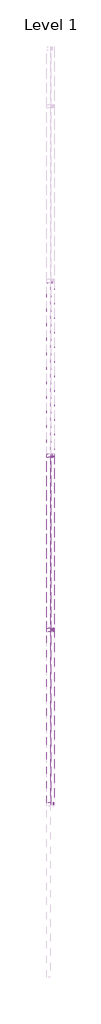
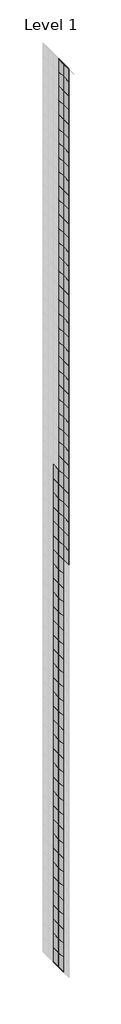
# One storey, part 22 of 29: 134 plates, 4 members.
"""IFC4 building model written with IfcOpenShell, lengths in millimetres."""

import ifcopenshell
import ifcopenshell.guid

model = None  # the IFC model being written
_history = None  # IfcOwnerHistory: only IFC2X3 demands one
_inside = {}  # id of a spatial element -> (the spatial element, [elements in it])
_under = {}  # id of a project, library or spatial element -> (it, [spatial elements below it])
_declared = {}  # id of a project -> (the project, [libraries it declares])
_typed = {}  # id of a type object -> (the type object, [elements of that type])
_made_of = {}  # id of a material, layer set ... -> (it, [elements and type objects made of it])


def new_model(schema):
    """Start an empty IFC model of exactly this schema.

    Asked for "IFC4X3", IfcOpenShell would pick the latest addendum, in which some entities
    have other attributes; the version numbers below select the first issue.
    IFC2X3 requires an IfcOwnerHistory on every rooted entity: one is made here for all.
    """
    global model, _history
    if schema == "IFC4X3":
        model = ifcopenshell.file(schema_version=(4, 3, 0, 0))
    else:
        model = ifcopenshell.file(schema=schema)
    _inside.clear()
    _under.clear()
    _declared.clear()
    _typed.clear()
    _made_of.clear()
    _history = None
    if model.schema == "IFC2X3":
        org = make("IfcOrganization", Name="unknown")
        user = make(
            "IfcPersonAndOrganization",
            ThePerson=make("IfcPerson", FamilyName="unknown"),
            TheOrganization=org,
        )
        app = make(
            "IfcApplication",
            ApplicationDeveloper=org,
            Version="unknown",
            ApplicationFullName="unknown",
            ApplicationIdentifier="unknown",
        )
        _history = make(
            "IfcOwnerHistory",
            OwningUser=user,
            OwningApplication=app,
            ChangeAction="ADDED",
            CreationDate=0,
        )
    return model


def make(cls, **values):
    """One entity of the class cls with the attributes given. An attribute that is None is left unset."""
    return model.create_entity(
        cls, **{name: value for name, value in values.items() if value is not None}
    )


def rooted(cls, **values):
    """An entity with a GlobalId (a new one), such as an element, a storey or a relation."""
    return make(cls, GlobalId=ifcopenshell.guid.new(), OwnerHistory=_history, **values)


def si_unit(unit_type, name, prefix=None):
    """IfcSIUnit, for example si_unit("LENGTHUNIT", "METRE", prefix="MILLI")."""
    return make("IfcSIUnit", UnitType=unit_type, Prefix=prefix, Name=name)


def assignment(units):
    """IfcUnitAssignment: the units of a project."""
    return None if units is None else make("IfcUnitAssignment", Units=units)


def point(xyz):
    """IfcCartesianPoint."""
    return None if xyz is None else make("IfcCartesianPoint", Coordinates=xyz)


def direction(xyz):
    """IfcDirection."""
    return None if xyz is None else make("IfcDirection", DirectionRatios=xyz)


def frame(location, z_axis=None, x_axis=None):
    """IfcAxis2Placement3D, a coordinate frame: its origin and axes. An axis left out is left unset."""
    return make(
        "IfcAxis2Placement3D",
        Location=point(location),
        Axis=direction(z_axis),
        RefDirection=direction(x_axis),
    )


def origin():
    """The frame at (0, 0, 0) with its axes left unset."""
    return frame((0.0, 0.0, 0.0))


def origin_with_axes():
    """The frame at (0, 0, 0) with the z axis (0, 0, 1) and the x axis (1, 0, 0) written out."""
    return frame((0.0, 0.0, 0.0), z_axis=(0.0, 0.0, 1.0), x_axis=(1.0, 0.0, 0.0))


def place(relative_to, where):
    """IfcLocalPlacement: puts the frame where relative to a parent placement (None: the world)."""
    return make(
        "IfcLocalPlacement", PlacementRelTo=relative_to, RelativePlacement=where
    )


def context(
    kind, dimensions, precision=None, world=None, true_north=None, identifier=None
):
    """IfcGeometricRepresentationContext, for example the 3D "Model" context."""
    return make(
        "IfcGeometricRepresentationContext",
        ContextIdentifier=identifier,
        ContextType=kind,
        CoordinateSpaceDimension=dimensions,
        Precision=precision,
        WorldCoordinateSystem=world,
        TrueNorth=true_north,
    )


def project(units=None, contexts=None):
    """IfcProject with its units and contexts."""
    return rooted(
        "IfcProject",
        Name="project",
        RepresentationContexts=contexts,
        UnitsInContext=assignment(units),
    )


def spatial(cls, under=None, at=None, **own):
    """A site, building, storey or space (cls), placed at a placement, below another one or the project."""
    s = rooted(cls, ObjectPlacement=at, **own)
    if under is not None:
        _under.setdefault(under.id(), (under, []))[1].append(s)
    return s


def polyline(points):
    """IfcPolyline through the points."""
    return make("IfcPolyline", Points=[point(p) for p in points])


def outline(outer, holes=None, kind="AREA"):
    """IfcArbitraryClosedProfileDef: a profile drawn as a closed curve; with holes, ...WithVoids."""
    if holes is None:
        return make("IfcArbitraryClosedProfileDef", ProfileType=kind, OuterCurve=outer)
    return make(
        "IfcArbitraryProfileDefWithVoids",
        ProfileType=kind,
        OuterCurve=outer,
        InnerCurves=holes,
    )


def extrude(swept, where, along, depth):
    """IfcExtrudedAreaSolid: the profile swept, set in the frame where, extruded along a direction by depth."""
    return make(
        "IfcExtrudedAreaSolid",
        SweptArea=swept,
        Position=where,
        ExtrudedDirection=direction(along),
        Depth=depth,
    )


def shape(context_of_items, identifier, shape_type, items):
    """IfcShapeRepresentation: the items that make up one representation, for example the "Body"."""
    return make(
        "IfcShapeRepresentation",
        ContextOfItems=context_of_items,
        RepresentationIdentifier=identifier,
        RepresentationType=shape_type,
        Items=items,
    )


def source(mapping_origin, context_of_items, identifier, shape_type, items):
    """IfcRepresentationMap: a shape defined once, which mapped items show again and again."""
    return make(
        "IfcRepresentationMap",
        MappingOrigin=mapping_origin,
        MappedRepresentation=shape(context_of_items, identifier, shape_type, items),
    )


def transform(
    local_origin,
    x_axis=None,
    y_axis=None,
    z_axis=None,
    scale=None,
    scale2=None,
    scale3=None,
    uniform=True,
):
    """IfcCartesianTransformationOperator3D, or its non-uniform kind. x_axis, y_axis, z_axis: its Axis1, 2, 3."""
    if uniform:
        return make(
            "IfcCartesianTransformationOperator3D",
            Axis1=direction(x_axis),
            Axis2=direction(y_axis),
            LocalOrigin=point(local_origin),
            Scale=scale,
            Axis3=direction(z_axis),
        )
    return make(
        "IfcCartesianTransformationOperator3DnonUniform",
        Axis1=direction(x_axis),
        Axis2=direction(y_axis),
        LocalOrigin=point(local_origin),
        Scale=scale,
        Axis3=direction(z_axis),
        Scale2=scale2,
        Scale3=scale3,
    )


def mapped(mapping_source, mapping_target):
    """IfcMappedItem: shows the shape of a source again, moved by a transform."""
    return make(
        "IfcMappedItem", MappingSource=mapping_source, MappingTarget=mapping_target
    )


def made_of(thing, what):
    """Note that an element or type object is made of a material, layer set ...; save() writes the relation."""
    if what is not None:
        _made_of.setdefault(what.id(), (what, []))[1].append(thing)
    return thing


def element(
    cls,
    number,
    at=None,
    inside=None,
    cuts=None,
    type_object=None,
    material=None,
    context=None,
    identifier="Body",
    shape_type=None,
    held_by="IfcProductDefinitionShape",
    body=None,
    shapes=None,
    **own,
):
    """One element of the class cls, such as IfcWall. Its Tag is "e" and its number.

    at: its placement. inside: the storey or other place that contains it. cuts: it is an
    opening in that element (IfcRelVoidsElement). A single representation is given by context,
    identifier, shape_type and body (its items); several are given by shapes. held_by: the class
    of the entity that holds the representations. save() writes the other relations.
    """
    e = rooted(cls, Tag="e%d" % number, ObjectPlacement=at, **own)
    if body is not None:
        shapes = [shape(context, identifier, shape_type, body)]
    if shapes is not None:
        e.Representation = make(held_by, Representations=shapes)
    if inside is not None:
        _inside.setdefault(inside.id(), (inside, []))[1].append(e)
    if cuts is not None:
        rooted(
            "IfcRelVoidsElement", RelatingBuildingElement=cuts, RelatedOpeningElement=e
        )
    if type_object is not None:
        _typed.setdefault(type_object.id(), (type_object, []))[1].append(e)
    return made_of(e, material)


def aggregate(whole, parts):
    """IfcRelAggregates: a whole, such as a stair, and the parts it consists of."""
    return rooted("IfcRelAggregates", RelatingObject=whole, RelatedObjects=parts)


def save(model, path):
    """Write the relations noted so far, then the file.

    IfcRelAggregates (storeys below a building ...), IfcRelContainedInSpatialStructure (elements
    in a storey), IfcRelDefinesByType, IfcRelAssociatesMaterial and IfcRelDeclares: one each for
    every whole, place, type object, material and project.
    """
    for whole, parts in _under.values():
        aggregate(whole, parts)
    for where, things in _inside.values():
        rooted(
            "IfcRelContainedInSpatialStructure",
            RelatedElements=things,
            RelatingStructure=where,
        )
    for kind, things in _typed.values():
        rooted("IfcRelDefinesByType", RelatedObjects=things, RelatingType=kind)
    for what, things in _made_of.values():
        rooted("IfcRelAssociatesMaterial", RelatedObjects=things, RelatingMaterial=what)
    for by, libraries in _declared.values():
        rooted("IfcRelDeclares", RelatingContext=by, RelatedDefinitions=libraries)
    model.write(path)


def rectangular_mullion_30mm_square_0448d2ee(model_context):
    return source(origin(), model_context, "Body", "SweptSolid", [
        extrude(outline(polyline([(0.0, 15.0), (0.0, -15.0), (-30.0, -15.0), (-30.0, 15.0), (0.0, 15.0)])), frame((0.0, 0.0, -1500.0), z_axis=(0.0, 0.0, 1.0), x_axis=(1.0, 0.0, 0.0)), (0.0, 0.0, 1.0), 1500.0),
    ])


def system_panel_glazed_328a1fc4(model_context):
    return source(origin(), model_context, "Body", "SweptSolid", [
        extrude(outline(polyline([(750.0, -49.5), (-750.0, -49.5), (-750.0, -24.5), (750.0, -24.5), (750.0, -49.5)])), origin_with_axes(), (0.0, 0.0, 1.0), 2500.0),
    ])


def system_panel_glazed_00ce7913(model_context):
    return source(origin(), model_context, "Body", "SweptSolid", [
        extrude(outline(polyline([(750.0, -49.5), (-750.0, -49.5), (-750.0, -24.5), (750.0, -24.5), (750.0, -49.5)])), origin_with_axes(), (0.0, 0.0, 1.0), 2300.0),
    ])


model = new_model("IFC4")

# Units and contexts
model_context = context("Model", 3, world=origin())
ifc_project = project(units=[si_unit("LENGTHUNIT", "METRE", prefix="MILLI")], contexts=[model_context])

# Site, building, storey
site = spatial("IfcSite", under=ifc_project)
building = spatial("IfcBuilding", under=site)
storey = spatial("IfcBuildingStorey", under=building, Name="Level 1", Elevation=0.0)

# Members
placement = place(None, origin())
rectangular_mullion_30mm_square_shape = rectangular_mullion_30mm_square_0448d2ee(model_context)
element("IfcMember", 1, ObjectType="Rectangular Mullion : 30mm Square", at=placement, inside=storey, context=model_context, shape_type="MappedRepresentation", body=[
    mapped(rectangular_mullion_30mm_square_shape, transform((27779.9951476, 2053.1129705, 300200.0), x_axis=(0.0, 0.0, 1.0), y_axis=(1.0, 0.0, 0.0), z_axis=(0.0, 1.0, 0.0))),
])
element("IfcMember", 2, ObjectType="Rectangular Mullion : 30mm Square", at=placement, inside=storey, context=model_context, shape_type="MappedRepresentation", body=[
    mapped(rectangular_mullion_30mm_square_shape, transform((27779.9951476, 3553.1129705, 300200.0), x_axis=(0.0, 0.0, 1.0), y_axis=(1.0, 0.0, 0.0), z_axis=(0.0, 1.0, 0.0))),
])
element("IfcMember", 3, ObjectType="Rectangular Mullion : 30mm Square", at=placement, inside=storey, context=model_context, shape_type="MappedRepresentation", body=[
    mapped(rectangular_mullion_30mm_square_shape, transform((27779.9951476, 2053.1129705, 140400.0), x_axis=(0.0, 0.0, -1.0), y_axis=(1.0, 0.0, 0.0), z_axis=(0.0, -1.0, 0.0))),
])
element("IfcMember", 4, ObjectType="Rectangular Mullion : 30mm Square", at=placement, inside=storey, context=model_context, shape_type="MappedRepresentation", body=[
    mapped(rectangular_mullion_30mm_square_shape, transform((27779.9951476, 3553.1129705, 140400.0), x_axis=(0.0, 0.0, -1.0), y_axis=(1.0, 0.0, 0.0), z_axis=(0.0, -1.0, 0.0))),
])

# Plates
system_panel_glazed_shape = system_panel_glazed_328a1fc4(model_context)
element("IfcPlate", 5, ObjectType="System Panel : Glazed", at=placement, inside=storey, context=model_context, shape_type="MappedRepresentation", body=[
    mapped(system_panel_glazed_shape, transform((27779.9951476, 2803.1129705, 140400.0), x_axis=(0.0, 1.0, 0.0), y_axis=(-1.0, 0.0, 0.0), z_axis=(0.0, 0.0, 1.0))),
])
element("IfcPlate", 6, ObjectType="System Panel : Glazed", at=placement, inside=storey, context=model_context, shape_type="MappedRepresentation", body=[
    mapped(system_panel_glazed_shape, transform((27779.9951476, 4303.1129705, 140400.0), x_axis=(0.0, 1.0, 0.0), y_axis=(-1.0, 0.0, 0.0), z_axis=(0.0, 0.0, 1.0))),
])
element("IfcPlate", 7, ObjectType="System Panel : Glazed", at=placement, inside=storey, context=model_context, shape_type="MappedRepresentation", body=[
    mapped(system_panel_glazed_shape, transform((27779.9951476, 2803.1129705, 142900.0), x_axis=(0.0, 1.0, 0.0), y_axis=(-1.0, 0.0, 0.0), z_axis=(0.0, 0.0, 1.0))),
])
element("IfcPlate", 8, ObjectType="System Panel : Glazed", at=placement, inside=storey, context=model_context, shape_type="MappedRepresentation", body=[
    mapped(system_panel_glazed_shape, transform((27779.9951476, 4303.1129705, 142900.0), x_axis=(0.0, 1.0, 0.0), y_axis=(-1.0, 0.0, 0.0), z_axis=(0.0, 0.0, 1.0))),
])
element("IfcPlate", 9, ObjectType="System Panel : Glazed", at=placement, inside=storey, context=model_context, shape_type="MappedRepresentation", body=[
    mapped(system_panel_glazed_shape, transform((27779.9951476, 2803.1129705, 145400.0), x_axis=(0.0, 1.0, 0.0), y_axis=(-1.0, 0.0, 0.0), z_axis=(0.0, 0.0, 1.0))),
])
element("IfcPlate", 10, ObjectType="System Panel : Glazed", at=placement, inside=storey, context=model_context, shape_type="MappedRepresentation", body=[
    mapped(system_panel_glazed_shape, transform((27779.9951476, 4303.1129705, 145400.0), x_axis=(0.0, 1.0, 0.0), y_axis=(-1.0, 0.0, 0.0), z_axis=(0.0, 0.0, 1.0))),
])
element("IfcPlate", 11, ObjectType="System Panel : Glazed", at=placement, inside=storey, context=model_context, shape_type="MappedRepresentation", body=[
    mapped(system_panel_glazed_shape, transform((27779.9951476, 2803.1129705, 147900.0), x_axis=(0.0, 1.0, 0.0), y_axis=(-1.0, 0.0, 0.0), z_axis=(0.0, 0.0, 1.0))),
])
element("IfcPlate", 12, ObjectType="System Panel : Glazed", at=placement, inside=storey, context=model_context, shape_type="MappedRepresentation", body=[
    mapped(system_panel_glazed_shape, transform((27779.9951476, 4303.1129705, 147900.0), x_axis=(0.0, 1.0, 0.0), y_axis=(-1.0, 0.0, 0.0), z_axis=(0.0, 0.0, 1.0))),
])
element("IfcPlate", 13, ObjectType="System Panel : Glazed", at=placement, inside=storey, context=model_context, shape_type="MappedRepresentation", body=[
    mapped(system_panel_glazed_shape, transform((27779.9951476, 2803.1129705, 150400.0), x_axis=(0.0, 1.0, 0.0), y_axis=(-1.0, 0.0, 0.0), z_axis=(0.0, 0.0, 1.0))),
])
element("IfcPlate", 14, ObjectType="System Panel : Glazed", at=placement, inside=storey, context=model_context, shape_type="MappedRepresentation", body=[
    mapped(system_panel_glazed_shape, transform((27779.9951476, 4303.1129705, 150400.0), x_axis=(0.0, 1.0, 0.0), y_axis=(-1.0, 0.0, 0.0), z_axis=(0.0, 0.0, 1.0))),
])
element("IfcPlate", 15, ObjectType="System Panel : Glazed", at=placement, inside=storey, context=model_context, shape_type="MappedRepresentation", body=[
    mapped(system_panel_glazed_shape, transform((27779.9951476, 2803.1129705, 152900.0), x_axis=(0.0, 1.0, 0.0), y_axis=(-1.0, 0.0, 0.0), z_axis=(0.0, 0.0, 1.0))),
])
element("IfcPlate", 16, ObjectType="System Panel : Glazed", at=placement, inside=storey, context=model_context, shape_type="MappedRepresentation", body=[
    mapped(system_panel_glazed_shape, transform((27779.9951476, 4303.1129705, 152900.0), x_axis=(0.0, 1.0, 0.0), y_axis=(-1.0, 0.0, 0.0), z_axis=(0.0, 0.0, 1.0))),
])
element("IfcPlate", 17, ObjectType="System Panel : Glazed", at=placement, inside=storey, context=model_context, shape_type="MappedRepresentation", body=[
    mapped(system_panel_glazed_shape, transform((27779.9951476, 2803.1129705, 155400.0), x_axis=(0.0, 1.0, 0.0), y_axis=(-1.0, 0.0, 0.0), z_axis=(0.0, 0.0, 1.0))),
])
element("IfcPlate", 18, ObjectType="System Panel : Glazed", at=placement, inside=storey, context=model_context, shape_type="MappedRepresentation", body=[
    mapped(system_panel_glazed_shape, transform((27779.9951476, 4303.1129705, 155400.0), x_axis=(0.0, 1.0, 0.0), y_axis=(-1.0, 0.0, 0.0), z_axis=(0.0, 0.0, 1.0))),
])
element("IfcPlate", 19, ObjectType="System Panel : Glazed", at=placement, inside=storey, context=model_context, shape_type="MappedRepresentation", body=[
    mapped(system_panel_glazed_shape, transform((27779.9951476, 2803.1129705, 157900.0), x_axis=(0.0, 1.0, 0.0), y_axis=(-1.0, 0.0, 0.0), z_axis=(0.0, 0.0, 1.0))),
])
element("IfcPlate", 20, ObjectType="System Panel : Glazed", at=placement, inside=storey, context=model_context, shape_type="MappedRepresentation", body=[
    mapped(system_panel_glazed_shape, transform((27779.9951476, 4303.1129705, 157900.0), x_axis=(0.0, 1.0, 0.0), y_axis=(-1.0, 0.0, 0.0), z_axis=(0.0, 0.0, 1.0))),
])
element("IfcPlate", 21, ObjectType="System Panel : Glazed", at=placement, inside=storey, context=model_context, shape_type="MappedRepresentation", body=[
    mapped(system_panel_glazed_shape, transform((27779.9951476, 2803.1129705, 160400.0), x_axis=(0.0, 1.0, 0.0), y_axis=(-1.0, 0.0, 0.0), z_axis=(0.0, 0.0, 1.0))),
])
element("IfcPlate", 22, ObjectType="System Panel : Glazed", at=placement, inside=storey, context=model_context, shape_type="MappedRepresentation", body=[
    mapped(system_panel_glazed_shape, transform((27779.9951476, 4303.1129705, 160400.0), x_axis=(0.0, 1.0, 0.0), y_axis=(-1.0, 0.0, 0.0), z_axis=(0.0, 0.0, 1.0))),
])
element("IfcPlate", 23, ObjectType="System Panel : Glazed", at=placement, inside=storey, context=model_context, shape_type="MappedRepresentation", body=[
    mapped(system_panel_glazed_shape, transform((27779.9951476, 2803.1129705, 162900.0), x_axis=(0.0, 1.0, 0.0), y_axis=(-1.0, 0.0, 0.0), z_axis=(0.0, 0.0, 1.0))),
])
element("IfcPlate", 24, ObjectType="System Panel : Glazed", at=placement, inside=storey, context=model_context, shape_type="MappedRepresentation", body=[
    mapped(system_panel_glazed_shape, transform((27779.9951476, 4303.1129705, 162900.0), x_axis=(0.0, 1.0, 0.0), y_axis=(-1.0, 0.0, 0.0), z_axis=(0.0, 0.0, 1.0))),
])
element("IfcPlate", 25, ObjectType="System Panel : Glazed", at=placement, inside=storey, context=model_context, shape_type="MappedRepresentation", body=[
    mapped(system_panel_glazed_shape, transform((27779.9951476, 2803.1129705, 165400.0), x_axis=(0.0, 1.0, 0.0), y_axis=(-1.0, 0.0, 0.0), z_axis=(0.0, 0.0, 1.0))),
])
element("IfcPlate", 26, ObjectType="System Panel : Glazed", at=placement, inside=storey, context=model_context, shape_type="MappedRepresentation", body=[
    mapped(system_panel_glazed_shape, transform((27779.9951476, 4303.1129705, 165400.0), x_axis=(0.0, 1.0, 0.0), y_axis=(-1.0, 0.0, 0.0), z_axis=(0.0, 0.0, 1.0))),
])
element("IfcPlate", 27, ObjectType="System Panel : Glazed", at=placement, inside=storey, context=model_context, shape_type="MappedRepresentation", body=[
    mapped(system_panel_glazed_shape, transform((27779.9951476, 2803.1129705, 167900.0), x_axis=(0.0, 1.0, 0.0), y_axis=(-1.0, 0.0, 0.0), z_axis=(0.0, 0.0, 1.0))),
])
element("IfcPlate", 28, ObjectType="System Panel : Glazed", at=placement, inside=storey, context=model_context, shape_type="MappedRepresentation", body=[
    mapped(system_panel_glazed_shape, transform((27779.9951476, 4303.1129705, 167900.0), x_axis=(0.0, 1.0, 0.0), y_axis=(-1.0, 0.0, 0.0), z_axis=(0.0, 0.0, 1.0))),
])
element("IfcPlate", 29, ObjectType="System Panel : Glazed", at=placement, inside=storey, context=model_context, shape_type="MappedRepresentation", body=[
    mapped(system_panel_glazed_shape, transform((27779.9951476, 2803.1129705, 170400.0), x_axis=(0.0, 1.0, 0.0), y_axis=(-1.0, 0.0, 0.0), z_axis=(0.0, 0.0, 1.0))),
])
element("IfcPlate", 30, ObjectType="System Panel : Glazed", at=placement, inside=storey, context=model_context, shape_type="MappedRepresentation", body=[
    mapped(system_panel_glazed_shape, transform((27779.9951476, 4303.1129705, 170400.0), x_axis=(0.0, 1.0, 0.0), y_axis=(-1.0, 0.0, 0.0), z_axis=(0.0, 0.0, 1.0))),
])
element("IfcPlate", 31, ObjectType="System Panel : Glazed", at=placement, inside=storey, context=model_context, shape_type="MappedRepresentation", body=[
    mapped(system_panel_glazed_shape, transform((27779.9951476, 2803.1129705, 172900.0), x_axis=(0.0, 1.0, 0.0), y_axis=(-1.0, 0.0, 0.0), z_axis=(0.0, 0.0, 1.0))),
])
element("IfcPlate", 32, ObjectType="System Panel : Glazed", at=placement, inside=storey, context=model_context, shape_type="MappedRepresentation", body=[
    mapped(system_panel_glazed_shape, transform((27779.9951476, 4303.1129705, 172900.0), x_axis=(0.0, 1.0, 0.0), y_axis=(-1.0, 0.0, 0.0), z_axis=(0.0, 0.0, 1.0))),
])
element("IfcPlate", 33, ObjectType="System Panel : Glazed", at=placement, inside=storey, context=model_context, shape_type="MappedRepresentation", body=[
    mapped(system_panel_glazed_shape, transform((27779.9951476, 2803.1129705, 175400.0), x_axis=(0.0, 1.0, 0.0), y_axis=(-1.0, 0.0, 0.0), z_axis=(0.0, 0.0, 1.0))),
])
element("IfcPlate", 34, ObjectType="System Panel : Glazed", at=placement, inside=storey, context=model_context, shape_type="MappedRepresentation", body=[
    mapped(system_panel_glazed_shape, transform((27779.9951476, 4303.1129705, 175400.0), x_axis=(0.0, 1.0, 0.0), y_axis=(-1.0, 0.0, 0.0), z_axis=(0.0, 0.0, 1.0))),
])
element("IfcPlate", 35, ObjectType="System Panel : Glazed", at=placement, inside=storey, context=model_context, shape_type="MappedRepresentation", body=[
    mapped(system_panel_glazed_shape, transform((27779.9951476, 2803.1129705, 177900.0), x_axis=(0.0, 1.0, 0.0), y_axis=(-1.0, 0.0, 0.0), z_axis=(0.0, 0.0, 1.0))),
])
element("IfcPlate", 36, ObjectType="System Panel : Glazed", at=placement, inside=storey, context=model_context, shape_type="MappedRepresentation", body=[
    mapped(system_panel_glazed_shape, transform((27779.9951476, 4303.1129705, 177900.0), x_axis=(0.0, 1.0, 0.0), y_axis=(-1.0, 0.0, 0.0), z_axis=(0.0, 0.0, 1.0))),
])
element("IfcPlate", 37, ObjectType="System Panel : Glazed", at=placement, inside=storey, context=model_context, shape_type="MappedRepresentation", body=[
    mapped(system_panel_glazed_shape, transform((27779.9951476, 2803.1129705, 180400.0), x_axis=(0.0, 1.0, 0.0), y_axis=(-1.0, 0.0, 0.0), z_axis=(0.0, 0.0, 1.0))),
])
element("IfcPlate", 38, ObjectType="System Panel : Glazed", at=placement, inside=storey, context=model_context, shape_type="MappedRepresentation", body=[
    mapped(system_panel_glazed_shape, transform((27779.9951476, 4303.1129705, 180400.0), x_axis=(0.0, 1.0, 0.0), y_axis=(-1.0, 0.0, 0.0), z_axis=(0.0, 0.0, 1.0))),
])
element("IfcPlate", 39, ObjectType="System Panel : Glazed", at=placement, inside=storey, context=model_context, shape_type="MappedRepresentation", body=[
    mapped(system_panel_glazed_shape, transform((27779.9951476, 2803.1129705, 182900.0), x_axis=(0.0, 1.0, 0.0), y_axis=(-1.0, 0.0, 0.0), z_axis=(0.0, 0.0, 1.0))),
])
element("IfcPlate", 40, ObjectType="System Panel : Glazed", at=placement, inside=storey, context=model_context, shape_type="MappedRepresentation", body=[
    mapped(system_panel_glazed_shape, transform((27779.9951476, 4303.1129705, 182900.0), x_axis=(0.0, 1.0, 0.0), y_axis=(-1.0, 0.0, 0.0), z_axis=(0.0, 0.0, 1.0))),
])
element("IfcPlate", 41, ObjectType="System Panel : Glazed", at=placement, inside=storey, context=model_context, shape_type="MappedRepresentation", body=[
    mapped(system_panel_glazed_shape, transform((27779.9951476, 2803.1129705, 185400.0), x_axis=(0.0, 1.0, 0.0), y_axis=(-1.0, 0.0, 0.0), z_axis=(0.0, 0.0, 1.0))),
])
element("IfcPlate", 42, ObjectType="System Panel : Glazed", at=placement, inside=storey, context=model_context, shape_type="MappedRepresentation", body=[
    mapped(system_panel_glazed_shape, transform((27779.9951476, 4303.1129705, 185400.0), x_axis=(0.0, 1.0, 0.0), y_axis=(-1.0, 0.0, 0.0), z_axis=(0.0, 0.0, 1.0))),
])
element("IfcPlate", 43, ObjectType="System Panel : Glazed", at=placement, inside=storey, context=model_context, shape_type="MappedRepresentation", body=[
    mapped(system_panel_glazed_shape, transform((27779.9951476, 2803.1129705, 187900.0), x_axis=(0.0, 1.0, 0.0), y_axis=(-1.0, 0.0, 0.0), z_axis=(0.0, 0.0, 1.0))),
])
element("IfcPlate", 44, ObjectType="System Panel : Glazed", at=placement, inside=storey, context=model_context, shape_type="MappedRepresentation", body=[
    mapped(system_panel_glazed_shape, transform((27779.9951476, 4303.1129705, 187900.0), x_axis=(0.0, 1.0, 0.0), y_axis=(-1.0, 0.0, 0.0), z_axis=(0.0, 0.0, 1.0))),
])
element("IfcPlate", 45, ObjectType="System Panel : Glazed", at=placement, inside=storey, context=model_context, shape_type="MappedRepresentation", body=[
    mapped(system_panel_glazed_shape, transform((27779.9951476, 2803.1129705, 190400.0), x_axis=(0.0, 1.0, 0.0), y_axis=(-1.0, 0.0, 0.0), z_axis=(0.0, 0.0, 1.0))),
])
element("IfcPlate", 46, ObjectType="System Panel : Glazed", at=placement, inside=storey, context=model_context, shape_type="MappedRepresentation", body=[
    mapped(system_panel_glazed_shape, transform((27779.9951476, 4303.1129705, 190400.0), x_axis=(0.0, 1.0, 0.0), y_axis=(-1.0, 0.0, 0.0), z_axis=(0.0, 0.0, 1.0))),
])
element("IfcPlate", 47, ObjectType="System Panel : Glazed", at=placement, inside=storey, context=model_context, shape_type="MappedRepresentation", body=[
    mapped(system_panel_glazed_shape, transform((27779.9951476, 2803.1129705, 192900.0), x_axis=(0.0, 1.0, 0.0), y_axis=(-1.0, 0.0, 0.0), z_axis=(0.0, 0.0, 1.0))),
])
element("IfcPlate", 48, ObjectType="System Panel : Glazed", at=placement, inside=storey, context=model_context, shape_type="MappedRepresentation", body=[
    mapped(system_panel_glazed_shape, transform((27779.9951476, 4303.1129705, 192900.0), x_axis=(0.0, 1.0, 0.0), y_axis=(-1.0, 0.0, 0.0), z_axis=(0.0, 0.0, 1.0))),
])
element("IfcPlate", 49, ObjectType="System Panel : Glazed", at=placement, inside=storey, context=model_context, shape_type="MappedRepresentation", body=[
    mapped(system_panel_glazed_shape, transform((27779.9951476, 2803.1129705, 195400.0), x_axis=(0.0, 1.0, 0.0), y_axis=(-1.0, 0.0, 0.0), z_axis=(0.0, 0.0, 1.0))),
])
element("IfcPlate", 50, ObjectType="System Panel : Glazed", at=placement, inside=storey, context=model_context, shape_type="MappedRepresentation", body=[
    mapped(system_panel_glazed_shape, transform((27779.9951476, 4303.1129705, 195400.0), x_axis=(0.0, 1.0, 0.0), y_axis=(-1.0, 0.0, 0.0), z_axis=(0.0, 0.0, 1.0))),
])
element("IfcPlate", 51, ObjectType="System Panel : Glazed", at=placement, inside=storey, context=model_context, shape_type="MappedRepresentation", body=[
    mapped(system_panel_glazed_shape, transform((27779.9951476, 2803.1129705, 197900.0), x_axis=(0.0, 1.0, 0.0), y_axis=(-1.0, 0.0, 0.0), z_axis=(0.0, 0.0, 1.0))),
])
element("IfcPlate", 52, ObjectType="System Panel : Glazed", at=placement, inside=storey, context=model_context, shape_type="MappedRepresentation", body=[
    mapped(system_panel_glazed_shape, transform((27779.9951476, 4303.1129705, 197900.0), x_axis=(0.0, 1.0, 0.0), y_axis=(-1.0, 0.0, 0.0), z_axis=(0.0, 0.0, 1.0))),
])
element("IfcPlate", 53, ObjectType="System Panel : Glazed", at=placement, inside=storey, context=model_context, shape_type="MappedRepresentation", body=[
    mapped(system_panel_glazed_shape, transform((27779.9951476, 2803.1129705, 200400.0), x_axis=(0.0, 1.0, 0.0), y_axis=(-1.0, 0.0, 0.0), z_axis=(0.0, 0.0, 1.0))),
])
element("IfcPlate", 54, ObjectType="System Panel : Glazed", at=placement, inside=storey, context=model_context, shape_type="MappedRepresentation", body=[
    mapped(system_panel_glazed_shape, transform((27779.9951476, 4303.1129705, 200400.0), x_axis=(0.0, 1.0, 0.0), y_axis=(-1.0, 0.0, 0.0), z_axis=(0.0, 0.0, 1.0))),
])
element("IfcPlate", 55, ObjectType="System Panel : Glazed", at=placement, inside=storey, context=model_context, shape_type="MappedRepresentation", body=[
    mapped(system_panel_glazed_shape, transform((27779.9951476, 2803.1129705, 202900.0), x_axis=(0.0, 1.0, 0.0), y_axis=(-1.0, 0.0, 0.0), z_axis=(0.0, 0.0, 1.0))),
])
element("IfcPlate", 56, ObjectType="System Panel : Glazed", at=placement, inside=storey, context=model_context, shape_type="MappedRepresentation", body=[
    mapped(system_panel_glazed_shape, transform((27779.9951476, 4303.1129705, 202900.0), x_axis=(0.0, 1.0, 0.0), y_axis=(-1.0, 0.0, 0.0), z_axis=(0.0, 0.0, 1.0))),
])
element("IfcPlate", 57, ObjectType="System Panel : Glazed", at=placement, inside=storey, context=model_context, shape_type="MappedRepresentation", body=[
    mapped(system_panel_glazed_shape, transform((27779.9951476, 2803.1129705, 205400.0), x_axis=(0.0, 1.0, 0.0), y_axis=(-1.0, 0.0, 0.0), z_axis=(0.0, 0.0, 1.0))),
])
element("IfcPlate", 58, ObjectType="System Panel : Glazed", at=placement, inside=storey, context=model_context, shape_type="MappedRepresentation", body=[
    mapped(system_panel_glazed_shape, transform((27779.9951476, 4303.1129705, 205400.0), x_axis=(0.0, 1.0, 0.0), y_axis=(-1.0, 0.0, 0.0), z_axis=(0.0, 0.0, 1.0))),
])
element("IfcPlate", 59, ObjectType="System Panel : Glazed", at=placement, inside=storey, context=model_context, shape_type="MappedRepresentation", body=[
    mapped(system_panel_glazed_shape, transform((27779.9951476, 2803.1129705, 207900.0), x_axis=(0.0, 1.0, 0.0), y_axis=(-1.0, 0.0, 0.0), z_axis=(0.0, 0.0, 1.0))),
])
element("IfcPlate", 60, ObjectType="System Panel : Glazed", at=placement, inside=storey, context=model_context, shape_type="MappedRepresentation", body=[
    mapped(system_panel_glazed_shape, transform((27779.9951476, 4303.1129705, 207900.0), x_axis=(0.0, 1.0, 0.0), y_axis=(-1.0, 0.0, 0.0), z_axis=(0.0, 0.0, 1.0))),
])
element("IfcPlate", 61, ObjectType="System Panel : Glazed", at=placement, inside=storey, context=model_context, shape_type="MappedRepresentation", body=[
    mapped(system_panel_glazed_shape, transform((27779.9951476, 2803.1129705, 210400.0), x_axis=(0.0, 1.0, 0.0), y_axis=(-1.0, 0.0, 0.0), z_axis=(0.0, 0.0, 1.0))),
])
element("IfcPlate", 62, ObjectType="System Panel : Glazed", at=placement, inside=storey, context=model_context, shape_type="MappedRepresentation", body=[
    mapped(system_panel_glazed_shape, transform((27779.9951476, 4303.1129705, 210400.0), x_axis=(0.0, 1.0, 0.0), y_axis=(-1.0, 0.0, 0.0), z_axis=(0.0, 0.0, 1.0))),
])
element("IfcPlate", 63, ObjectType="System Panel : Glazed", at=placement, inside=storey, context=model_context, shape_type="MappedRepresentation", body=[
    mapped(system_panel_glazed_shape, transform((27779.9951476, 1303.1129705, 212900.0), x_axis=(0.0, 1.0, 0.0), y_axis=(-1.0, 0.0, 0.0), z_axis=(0.0, 0.0, 1.0))),
])
element("IfcPlate", 64, ObjectType="System Panel : Glazed", at=placement, inside=storey, context=model_context, shape_type="MappedRepresentation", body=[
    mapped(system_panel_glazed_shape, transform((27779.9951476, 2803.1129705, 212900.0), x_axis=(0.0, 1.0, 0.0), y_axis=(-1.0, 0.0, 0.0), z_axis=(0.0, 0.0, 1.0))),
])
element("IfcPlate", 65, ObjectType="System Panel : Glazed", at=placement, inside=storey, context=model_context, shape_type="MappedRepresentation", body=[
    mapped(system_panel_glazed_shape, transform((27779.9951476, 4303.1129705, 212900.0), x_axis=(0.0, 1.0, 0.0), y_axis=(-1.0, 0.0, 0.0), z_axis=(0.0, 0.0, 1.0))),
])
element("IfcPlate", 66, ObjectType="System Panel : Glazed", at=placement, inside=storey, context=model_context, shape_type="MappedRepresentation", body=[
    mapped(system_panel_glazed_shape, transform((27779.9951476, 1303.1129705, 215400.0), x_axis=(0.0, 1.0, 0.0), y_axis=(-1.0, 0.0, 0.0), z_axis=(0.0, 0.0, 1.0))),
])
element("IfcPlate", 67, ObjectType="System Panel : Glazed", at=placement, inside=storey, context=model_context, shape_type="MappedRepresentation", body=[
    mapped(system_panel_glazed_shape, transform((27779.9951476, 2803.1129705, 215400.0), x_axis=(0.0, 1.0, 0.0), y_axis=(-1.0, 0.0, 0.0), z_axis=(0.0, 0.0, 1.0))),
])
element("IfcPlate", 68, ObjectType="System Panel : Glazed", at=placement, inside=storey, context=model_context, shape_type="MappedRepresentation", body=[
    mapped(system_panel_glazed_shape, transform((27779.9951476, 4303.1129705, 215400.0), x_axis=(0.0, 1.0, 0.0), y_axis=(-1.0, 0.0, 0.0), z_axis=(0.0, 0.0, 1.0))),
])
element("IfcPlate", 69, ObjectType="System Panel : Glazed", at=placement, inside=storey, context=model_context, shape_type="MappedRepresentation", body=[
    mapped(system_panel_glazed_shape, transform((27779.9951476, 1303.1129705, 217900.0), x_axis=(0.0, 1.0, 0.0), y_axis=(-1.0, 0.0, 0.0), z_axis=(0.0, 0.0, 1.0))),
])
element("IfcPlate", 70, ObjectType="System Panel : Glazed", at=placement, inside=storey, context=model_context, shape_type="MappedRepresentation", body=[
    mapped(system_panel_glazed_shape, transform((27779.9951476, 2803.1129705, 217900.0), x_axis=(0.0, 1.0, 0.0), y_axis=(-1.0, 0.0, 0.0), z_axis=(0.0, 0.0, 1.0))),
])
element("IfcPlate", 71, ObjectType="System Panel : Glazed", at=placement, inside=storey, context=model_context, shape_type="MappedRepresentation", body=[
    mapped(system_panel_glazed_shape, transform((27779.9951476, 4303.1129705, 217900.0), x_axis=(0.0, 1.0, 0.0), y_axis=(-1.0, 0.0, 0.0), z_axis=(0.0, 0.0, 1.0))),
])
element("IfcPlate", 72, ObjectType="System Panel : Glazed", at=placement, inside=storey, context=model_context, shape_type="MappedRepresentation", body=[
    mapped(system_panel_glazed_shape, transform((27779.9951476, 1303.1129705, 220400.0), x_axis=(0.0, 1.0, 0.0), y_axis=(-1.0, 0.0, 0.0), z_axis=(0.0, 0.0, 1.0))),
])
element("IfcPlate", 73, ObjectType="System Panel : Glazed", at=placement, inside=storey, context=model_context, shape_type="MappedRepresentation", body=[
    mapped(system_panel_glazed_shape, transform((27779.9951476, 2803.1129705, 220400.0), x_axis=(0.0, 1.0, 0.0), y_axis=(-1.0, 0.0, 0.0), z_axis=(0.0, 0.0, 1.0))),
])
element("IfcPlate", 74, ObjectType="System Panel : Glazed", at=placement, inside=storey, context=model_context, shape_type="MappedRepresentation", body=[
    mapped(system_panel_glazed_shape, transform((27779.9951476, 4303.1129705, 220400.0), x_axis=(0.0, 1.0, 0.0), y_axis=(-1.0, 0.0, 0.0), z_axis=(0.0, 0.0, 1.0))),
])
element("IfcPlate", 75, ObjectType="System Panel : Glazed", at=placement, inside=storey, context=model_context, shape_type="MappedRepresentation", body=[
    mapped(system_panel_glazed_shape, transform((27779.9951476, 1303.1129705, 222900.0), x_axis=(0.0, 1.0, 0.0), y_axis=(-1.0, 0.0, 0.0), z_axis=(0.0, 0.0, 1.0))),
])
element("IfcPlate", 76, ObjectType="System Panel : Glazed", at=placement, inside=storey, context=model_context, shape_type="MappedRepresentation", body=[
    mapped(system_panel_glazed_shape, transform((27779.9951476, 2803.1129705, 222900.0), x_axis=(0.0, 1.0, 0.0), y_axis=(-1.0, 0.0, 0.0), z_axis=(0.0, 0.0, 1.0))),
])
element("IfcPlate", 77, ObjectType="System Panel : Glazed", at=placement, inside=storey, context=model_context, shape_type="MappedRepresentation", body=[
    mapped(system_panel_glazed_shape, transform((27779.9951476, 4303.1129705, 222900.0), x_axis=(0.0, 1.0, 0.0), y_axis=(-1.0, 0.0, 0.0), z_axis=(0.0, 0.0, 1.0))),
])
element("IfcPlate", 78, ObjectType="System Panel : Glazed", at=placement, inside=storey, context=model_context, shape_type="MappedRepresentation", body=[
    mapped(system_panel_glazed_shape, transform((27779.9951476, 1303.1129705, 225400.0), x_axis=(0.0, 1.0, 0.0), y_axis=(-1.0, 0.0, 0.0), z_axis=(0.0, 0.0, 1.0))),
])
element("IfcPlate", 79, ObjectType="System Panel : Glazed", at=placement, inside=storey, context=model_context, shape_type="MappedRepresentation", body=[
    mapped(system_panel_glazed_shape, transform((27779.9951476, 2803.1129705, 225400.0), x_axis=(0.0, 1.0, 0.0), y_axis=(-1.0, 0.0, 0.0), z_axis=(0.0, 0.0, 1.0))),
])
element("IfcPlate", 80, ObjectType="System Panel : Glazed", at=placement, inside=storey, context=model_context, shape_type="MappedRepresentation", body=[
    mapped(system_panel_glazed_shape, transform((27779.9951476, 4303.1129705, 225400.0), x_axis=(0.0, 1.0, 0.0), y_axis=(-1.0, 0.0, 0.0), z_axis=(0.0, 0.0, 1.0))),
])
element("IfcPlate", 81, ObjectType="System Panel : Glazed", at=placement, inside=storey, context=model_context, shape_type="MappedRepresentation", body=[
    mapped(system_panel_glazed_shape, transform((27779.9951476, 1303.1129705, 227900.0), x_axis=(0.0, 1.0, 0.0), y_axis=(-1.0, 0.0, 0.0), z_axis=(0.0, 0.0, 1.0))),
])
element("IfcPlate", 82, ObjectType="System Panel : Glazed", at=placement, inside=storey, context=model_context, shape_type="MappedRepresentation", body=[
    mapped(system_panel_glazed_shape, transform((27779.9951476, 2803.1129705, 227900.0), x_axis=(0.0, 1.0, 0.0), y_axis=(-1.0, 0.0, 0.0), z_axis=(0.0, 0.0, 1.0))),
])
element("IfcPlate", 83, ObjectType="System Panel : Glazed", at=placement, inside=storey, context=model_context, shape_type="MappedRepresentation", body=[
    mapped(system_panel_glazed_shape, transform((27779.9951476, 1303.1129705, 230400.0), x_axis=(0.0, 1.0, 0.0), y_axis=(-1.0, 0.0, 0.0), z_axis=(0.0, 0.0, 1.0))),
])
element("IfcPlate", 84, ObjectType="System Panel : Glazed", at=placement, inside=storey, context=model_context, shape_type="MappedRepresentation", body=[
    mapped(system_panel_glazed_shape, transform((27779.9951476, 2803.1129705, 230400.0), x_axis=(0.0, 1.0, 0.0), y_axis=(-1.0, 0.0, 0.0), z_axis=(0.0, 0.0, 1.0))),
])
element("IfcPlate", 85, ObjectType="System Panel : Glazed", at=placement, inside=storey, context=model_context, shape_type="MappedRepresentation", body=[
    mapped(system_panel_glazed_shape, transform((27779.9951476, 1303.1129705, 232900.0), x_axis=(0.0, 1.0, 0.0), y_axis=(-1.0, 0.0, 0.0), z_axis=(0.0, 0.0, 1.0))),
])
element("IfcPlate", 86, ObjectType="System Panel : Glazed", at=placement, inside=storey, context=model_context, shape_type="MappedRepresentation", body=[
    mapped(system_panel_glazed_shape, transform((27779.9951476, 2803.1129705, 232900.0), x_axis=(0.0, 1.0, 0.0), y_axis=(-1.0, 0.0, 0.0), z_axis=(0.0, 0.0, 1.0))),
])
element("IfcPlate", 87, ObjectType="System Panel : Glazed", at=placement, inside=storey, context=model_context, shape_type="MappedRepresentation", body=[
    mapped(system_panel_glazed_shape, transform((27779.9951476, 1303.1129705, 235400.0), x_axis=(0.0, 1.0, 0.0), y_axis=(-1.0, 0.0, 0.0), z_axis=(0.0, 0.0, 1.0))),
])
element("IfcPlate", 88, ObjectType="System Panel : Glazed", at=placement, inside=storey, context=model_context, shape_type="MappedRepresentation", body=[
    mapped(system_panel_glazed_shape, transform((27779.9951476, 2803.1129705, 235400.0), x_axis=(0.0, 1.0, 0.0), y_axis=(-1.0, 0.0, 0.0), z_axis=(0.0, 0.0, 1.0))),
])
element("IfcPlate", 89, ObjectType="System Panel : Glazed", at=placement, inside=storey, context=model_context, shape_type="MappedRepresentation", body=[
    mapped(system_panel_glazed_shape, transform((27779.9951476, 1303.1129705, 237900.0), x_axis=(0.0, 1.0, 0.0), y_axis=(-1.0, 0.0, 0.0), z_axis=(0.0, 0.0, 1.0))),
])
element("IfcPlate", 90, ObjectType="System Panel : Glazed", at=placement, inside=storey, context=model_context, shape_type="MappedRepresentation", body=[
    mapped(system_panel_glazed_shape, transform((27779.9951476, 2803.1129705, 237900.0), x_axis=(0.0, 1.0, 0.0), y_axis=(-1.0, 0.0, 0.0), z_axis=(0.0, 0.0, 1.0))),
])
element("IfcPlate", 91, ObjectType="System Panel : Glazed", at=placement, inside=storey, context=model_context, shape_type="MappedRepresentation", body=[
    mapped(system_panel_glazed_shape, transform((27779.9951476, 1303.1129705, 240400.0), x_axis=(0.0, 1.0, 0.0), y_axis=(-1.0, 0.0, 0.0), z_axis=(0.0, 0.0, 1.0))),
])
element("IfcPlate", 92, ObjectType="System Panel : Glazed", at=placement, inside=storey, context=model_context, shape_type="MappedRepresentation", body=[
    mapped(system_panel_glazed_shape, transform((27779.9951476, 2803.1129705, 240400.0), x_axis=(0.0, 1.0, 0.0), y_axis=(-1.0, 0.0, 0.0), z_axis=(0.0, 0.0, 1.0))),
])
element("IfcPlate", 93, ObjectType="System Panel : Glazed", at=placement, inside=storey, context=model_context, shape_type="MappedRepresentation", body=[
    mapped(system_panel_glazed_shape, transform((27779.9951476, 1303.1129705, 242900.0), x_axis=(0.0, 1.0, 0.0), y_axis=(-1.0, 0.0, 0.0), z_axis=(0.0, 0.0, 1.0))),
])
element("IfcPlate", 94, ObjectType="System Panel : Glazed", at=placement, inside=storey, context=model_context, shape_type="MappedRepresentation", body=[
    mapped(system_panel_glazed_shape, transform((27779.9951476, 2803.1129705, 242900.0), x_axis=(0.0, 1.0, 0.0), y_axis=(-1.0, 0.0, 0.0), z_axis=(0.0, 0.0, 1.0))),
])
element("IfcPlate", 95, ObjectType="System Panel : Glazed", at=placement, inside=storey, context=model_context, shape_type="MappedRepresentation", body=[
    mapped(system_panel_glazed_shape, transform((27779.9951476, 1303.1129705, 245400.0), x_axis=(0.0, 1.0, 0.0), y_axis=(-1.0, 0.0, 0.0), z_axis=(0.0, 0.0, 1.0))),
])
element("IfcPlate", 96, ObjectType="System Panel : Glazed", at=placement, inside=storey, context=model_context, shape_type="MappedRepresentation", body=[
    mapped(system_panel_glazed_shape, transform((27779.9951476, 2803.1129705, 245400.0), x_axis=(0.0, 1.0, 0.0), y_axis=(-1.0, 0.0, 0.0), z_axis=(0.0, 0.0, 1.0))),
])
element("IfcPlate", 97, ObjectType="System Panel : Glazed", at=placement, inside=storey, context=model_context, shape_type="MappedRepresentation", body=[
    mapped(system_panel_glazed_shape, transform((27779.9951476, 1303.1129705, 247900.0), x_axis=(0.0, 1.0, 0.0), y_axis=(-1.0, 0.0, 0.0), z_axis=(0.0, 0.0, 1.0))),
])
element("IfcPlate", 98, ObjectType="System Panel : Glazed", at=placement, inside=storey, context=model_context, shape_type="MappedRepresentation", body=[
    mapped(system_panel_glazed_shape, transform((27779.9951476, 2803.1129705, 247900.0), x_axis=(0.0, 1.0, 0.0), y_axis=(-1.0, 0.0, 0.0), z_axis=(0.0, 0.0, 1.0))),
])
element("IfcPlate", 99, ObjectType="System Panel : Glazed", at=placement, inside=storey, context=model_context, shape_type="MappedRepresentation", body=[
    mapped(system_panel_glazed_shape, transform((27779.9951476, 1303.1129705, 250400.0), x_axis=(0.0, 1.0, 0.0), y_axis=(-1.0, 0.0, 0.0), z_axis=(0.0, 0.0, 1.0))),
])
element("IfcPlate", 100, ObjectType="System Panel : Glazed", at=placement, inside=storey, context=model_context, shape_type="MappedRepresentation", body=[
    mapped(system_panel_glazed_shape, transform((27779.9951476, 2803.1129705, 250400.0), x_axis=(0.0, 1.0, 0.0), y_axis=(-1.0, 0.0, 0.0), z_axis=(0.0, 0.0, 1.0))),
])
element("IfcPlate", 101, ObjectType="System Panel : Glazed", at=placement, inside=storey, context=model_context, shape_type="MappedRepresentation", body=[
    mapped(system_panel_glazed_shape, transform((27779.9951476, 1303.1129705, 252900.0), x_axis=(0.0, 1.0, 0.0), y_axis=(-1.0, 0.0, 0.0), z_axis=(0.0, 0.0, 1.0))),
])
element("IfcPlate", 102, ObjectType="System Panel : Glazed", at=placement, inside=storey, context=model_context, shape_type="MappedRepresentation", body=[
    mapped(system_panel_glazed_shape, transform((27779.9951476, 2803.1129705, 252900.0), x_axis=(0.0, 1.0, 0.0), y_axis=(-1.0, 0.0, 0.0), z_axis=(0.0, 0.0, 1.0))),
])
element("IfcPlate", 103, ObjectType="System Panel : Glazed", at=placement, inside=storey, context=model_context, shape_type="MappedRepresentation", body=[
    mapped(system_panel_glazed_shape, transform((27779.9951476, 1303.1129705, 255400.0), x_axis=(0.0, 1.0, 0.0), y_axis=(-1.0, 0.0, 0.0), z_axis=(0.0, 0.0, 1.0))),
])
element("IfcPlate", 104, ObjectType="System Panel : Glazed", at=placement, inside=storey, context=model_context, shape_type="MappedRepresentation", body=[
    mapped(system_panel_glazed_shape, transform((27779.9951476, 2803.1129705, 255400.0), x_axis=(0.0, 1.0, 0.0), y_axis=(-1.0, 0.0, 0.0), z_axis=(0.0, 0.0, 1.0))),
])
element("IfcPlate", 105, ObjectType="System Panel : Glazed", at=placement, inside=storey, context=model_context, shape_type="MappedRepresentation", body=[
    mapped(system_panel_glazed_shape, transform((27779.9951476, 1303.1129705, 257900.0), x_axis=(0.0, 1.0, 0.0), y_axis=(-1.0, 0.0, 0.0), z_axis=(0.0, 0.0, 1.0))),
])
element("IfcPlate", 106, ObjectType="System Panel : Glazed", at=placement, inside=storey, context=model_context, shape_type="MappedRepresentation", body=[
    mapped(system_panel_glazed_shape, transform((27779.9951476, 2803.1129705, 257900.0), x_axis=(0.0, 1.0, 0.0), y_axis=(-1.0, 0.0, 0.0), z_axis=(0.0, 0.0, 1.0))),
])
element("IfcPlate", 107, ObjectType="System Panel : Glazed", at=placement, inside=storey, context=model_context, shape_type="MappedRepresentation", body=[
    mapped(system_panel_glazed_shape, transform((27779.9951476, 1303.1129705, 260400.0), x_axis=(0.0, 1.0, 0.0), y_axis=(-1.0, 0.0, 0.0), z_axis=(0.0, 0.0, 1.0))),
])
element("IfcPlate", 108, ObjectType="System Panel : Glazed", at=placement, inside=storey, context=model_context, shape_type="MappedRepresentation", body=[
    mapped(system_panel_glazed_shape, transform((27779.9951476, 2803.1129705, 260400.0), x_axis=(0.0, 1.0, 0.0), y_axis=(-1.0, 0.0, 0.0), z_axis=(0.0, 0.0, 1.0))),
])
element("IfcPlate", 109, ObjectType="System Panel : Glazed", at=placement, inside=storey, context=model_context, shape_type="MappedRepresentation", body=[
    mapped(system_panel_glazed_shape, transform((27779.9951476, 1303.1129705, 262900.0), x_axis=(0.0, 1.0, 0.0), y_axis=(-1.0, 0.0, 0.0), z_axis=(0.0, 0.0, 1.0))),
])
element("IfcPlate", 110, ObjectType="System Panel : Glazed", at=placement, inside=storey, context=model_context, shape_type="MappedRepresentation", body=[
    mapped(system_panel_glazed_shape, transform((27779.9951476, 2803.1129705, 262900.0), x_axis=(0.0, 1.0, 0.0), y_axis=(-1.0, 0.0, 0.0), z_axis=(0.0, 0.0, 1.0))),
])
element("IfcPlate", 111, ObjectType="System Panel : Glazed", at=placement, inside=storey, context=model_context, shape_type="MappedRepresentation", body=[
    mapped(system_panel_glazed_shape, transform((27779.9951476, 1303.1129705, 265400.0), x_axis=(0.0, 1.0, 0.0), y_axis=(-1.0, 0.0, 0.0), z_axis=(0.0, 0.0, 1.0))),
])
element("IfcPlate", 112, ObjectType="System Panel : Glazed", at=placement, inside=storey, context=model_context, shape_type="MappedRepresentation", body=[
    mapped(system_panel_glazed_shape, transform((27779.9951476, 2803.1129705, 265400.0), x_axis=(0.0, 1.0, 0.0), y_axis=(-1.0, 0.0, 0.0), z_axis=(0.0, 0.0, 1.0))),
])
element("IfcPlate", 113, ObjectType="System Panel : Glazed", at=placement, inside=storey, context=model_context, shape_type="MappedRepresentation", body=[
    mapped(system_panel_glazed_shape, transform((27779.9951476, 1303.1129705, 267900.0), x_axis=(0.0, 1.0, 0.0), y_axis=(-1.0, 0.0, 0.0), z_axis=(0.0, 0.0, 1.0))),
])
element("IfcPlate", 114, ObjectType="System Panel : Glazed", at=placement, inside=storey, context=model_context, shape_type="MappedRepresentation", body=[
    mapped(system_panel_glazed_shape, transform((27779.9951476, 2803.1129705, 267900.0), x_axis=(0.0, 1.0, 0.0), y_axis=(-1.0, 0.0, 0.0), z_axis=(0.0, 0.0, 1.0))),
])
element("IfcPlate", 115, ObjectType="System Panel : Glazed", at=placement, inside=storey, context=model_context, shape_type="MappedRepresentation", body=[
    mapped(system_panel_glazed_shape, transform((27779.9951476, 1303.1129705, 270400.0), x_axis=(0.0, 1.0, 0.0), y_axis=(-1.0, 0.0, 0.0), z_axis=(0.0, 0.0, 1.0))),
])
element("IfcPlate", 116, ObjectType="System Panel : Glazed", at=placement, inside=storey, context=model_context, shape_type="MappedRepresentation", body=[
    mapped(system_panel_glazed_shape, transform((27779.9951476, 2803.1129705, 270400.0), x_axis=(0.0, 1.0, 0.0), y_axis=(-1.0, 0.0, 0.0), z_axis=(0.0, 0.0, 1.0))),
])
element("IfcPlate", 117, ObjectType="System Panel : Glazed", at=placement, inside=storey, context=model_context, shape_type="MappedRepresentation", body=[
    mapped(system_panel_glazed_shape, transform((27779.9951476, 1303.1129705, 272900.0), x_axis=(0.0, 1.0, 0.0), y_axis=(-1.0, 0.0, 0.0), z_axis=(0.0, 0.0, 1.0))),
])
element("IfcPlate", 118, ObjectType="System Panel : Glazed", at=placement, inside=storey, context=model_context, shape_type="MappedRepresentation", body=[
    mapped(system_panel_glazed_shape, transform((27779.9951476, 2803.1129705, 272900.0), x_axis=(0.0, 1.0, 0.0), y_axis=(-1.0, 0.0, 0.0), z_axis=(0.0, 0.0, 1.0))),
])
element("IfcPlate", 119, ObjectType="System Panel : Glazed", at=placement, inside=storey, context=model_context, shape_type="MappedRepresentation", body=[
    mapped(system_panel_glazed_shape, transform((27779.9951476, 1303.1129705, 275400.0), x_axis=(0.0, 1.0, 0.0), y_axis=(-1.0, 0.0, 0.0), z_axis=(0.0, 0.0, 1.0))),
])
element("IfcPlate", 120, ObjectType="System Panel : Glazed", at=placement, inside=storey, context=model_context, shape_type="MappedRepresentation", body=[
    mapped(system_panel_glazed_shape, transform((27779.9951476, 2803.1129705, 275400.0), x_axis=(0.0, 1.0, 0.0), y_axis=(-1.0, 0.0, 0.0), z_axis=(0.0, 0.0, 1.0))),
])
element("IfcPlate", 121, ObjectType="System Panel : Glazed", at=placement, inside=storey, context=model_context, shape_type="MappedRepresentation", body=[
    mapped(system_panel_glazed_shape, transform((27779.9951476, 1303.1129705, 277900.0), x_axis=(0.0, 1.0, 0.0), y_axis=(-1.0, 0.0, 0.0), z_axis=(0.0, 0.0, 1.0))),
])
element("IfcPlate", 122, ObjectType="System Panel : Glazed", at=placement, inside=storey, context=model_context, shape_type="MappedRepresentation", body=[
    mapped(system_panel_glazed_shape, transform((27779.9951476, 2803.1129705, 277900.0), x_axis=(0.0, 1.0, 0.0), y_axis=(-1.0, 0.0, 0.0), z_axis=(0.0, 0.0, 1.0))),
])
element("IfcPlate", 123, ObjectType="System Panel : Glazed", at=placement, inside=storey, context=model_context, shape_type="MappedRepresentation", body=[
    mapped(system_panel_glazed_shape, transform((27779.9951476, 1303.1129705, 280400.0), x_axis=(0.0, 1.0, 0.0), y_axis=(-1.0, 0.0, 0.0), z_axis=(0.0, 0.0, 1.0))),
])
element("IfcPlate", 124, ObjectType="System Panel : Glazed", at=placement, inside=storey, context=model_context, shape_type="MappedRepresentation", body=[
    mapped(system_panel_glazed_shape, transform((27779.9951476, 2803.1129705, 280400.0), x_axis=(0.0, 1.0, 0.0), y_axis=(-1.0, 0.0, 0.0), z_axis=(0.0, 0.0, 1.0))),
])
element("IfcPlate", 125, ObjectType="System Panel : Glazed", at=placement, inside=storey, context=model_context, shape_type="MappedRepresentation", body=[
    mapped(system_panel_glazed_shape, transform((27779.9951476, 1303.1129705, 282900.0), x_axis=(0.0, 1.0, 0.0), y_axis=(-1.0, 0.0, 0.0), z_axis=(0.0, 0.0, 1.0))),
])
element("IfcPlate", 126, ObjectType="System Panel : Glazed", at=placement, inside=storey, context=model_context, shape_type="MappedRepresentation", body=[
    mapped(system_panel_glazed_shape, transform((27779.9951476, 2803.1129705, 282900.0), x_axis=(0.0, 1.0, 0.0), y_axis=(-1.0, 0.0, 0.0), z_axis=(0.0, 0.0, 1.0))),
])
element("IfcPlate", 127, ObjectType="System Panel : Glazed", at=placement, inside=storey, context=model_context, shape_type="MappedRepresentation", body=[
    mapped(system_panel_glazed_shape, transform((27779.9951476, 1303.1129705, 285400.0), x_axis=(0.0, 1.0, 0.0), y_axis=(-1.0, 0.0, 0.0), z_axis=(0.0, 0.0, 1.0))),
])
element("IfcPlate", 128, ObjectType="System Panel : Glazed", at=placement, inside=storey, context=model_context, shape_type="MappedRepresentation", body=[
    mapped(system_panel_glazed_shape, transform((27779.9951476, 2803.1129705, 285400.0), x_axis=(0.0, 1.0, 0.0), y_axis=(-1.0, 0.0, 0.0), z_axis=(0.0, 0.0, 1.0))),
])
element("IfcPlate", 129, ObjectType="System Panel : Glazed", at=placement, inside=storey, context=model_context, shape_type="MappedRepresentation", body=[
    mapped(system_panel_glazed_shape, transform((27779.9951476, 1303.1129705, 287900.0), x_axis=(0.0, 1.0, 0.0), y_axis=(-1.0, 0.0, 0.0), z_axis=(0.0, 0.0, 1.0))),
])
element("IfcPlate", 130, ObjectType="System Panel : Glazed", at=placement, inside=storey, context=model_context, shape_type="MappedRepresentation", body=[
    mapped(system_panel_glazed_shape, transform((27779.9951476, 2803.1129705, 287900.0), x_axis=(0.0, 1.0, 0.0), y_axis=(-1.0, 0.0, 0.0), z_axis=(0.0, 0.0, 1.0))),
])
element("IfcPlate", 131, ObjectType="System Panel : Glazed", at=placement, inside=storey, context=model_context, shape_type="MappedRepresentation", body=[
    mapped(system_panel_glazed_shape, transform((27779.9951476, 1303.1129705, 290400.0), x_axis=(0.0, 1.0, 0.0), y_axis=(-1.0, 0.0, 0.0), z_axis=(0.0, 0.0, 1.0))),
])
element("IfcPlate", 132, ObjectType="System Panel : Glazed", at=placement, inside=storey, context=model_context, shape_type="MappedRepresentation", body=[
    mapped(system_panel_glazed_shape, transform((27779.9951476, 2803.1129705, 290400.0), x_axis=(0.0, 1.0, 0.0), y_axis=(-1.0, 0.0, 0.0), z_axis=(0.0, 0.0, 1.0))),
])
element("IfcPlate", 133, ObjectType="System Panel : Glazed", at=placement, inside=storey, context=model_context, shape_type="MappedRepresentation", body=[
    mapped(system_panel_glazed_shape, transform((27779.9951476, 1303.1129705, 292900.0), x_axis=(0.0, 1.0, 0.0), y_axis=(-1.0, 0.0, 0.0), z_axis=(0.0, 0.0, 1.0))),
])
element("IfcPlate", 134, ObjectType="System Panel : Glazed", at=placement, inside=storey, context=model_context, shape_type="MappedRepresentation", body=[
    mapped(system_panel_glazed_shape, transform((27779.9951476, 2803.1129705, 292900.0), x_axis=(0.0, 1.0, 0.0), y_axis=(-1.0, 0.0, 0.0), z_axis=(0.0, 0.0, 1.0))),
])
element("IfcPlate", 135, ObjectType="System Panel : Glazed", at=placement, inside=storey, context=model_context, shape_type="MappedRepresentation", body=[
    mapped(system_panel_glazed_shape, transform((27779.9951476, 1303.1129705, 295400.0), x_axis=(0.0, 1.0, 0.0), y_axis=(-1.0, 0.0, 0.0), z_axis=(0.0, 0.0, 1.0))),
])
element("IfcPlate", 136, ObjectType="System Panel : Glazed", at=placement, inside=storey, context=model_context, shape_type="MappedRepresentation", body=[
    mapped(system_panel_glazed_shape, transform((27779.9951476, 2803.1129705, 295400.0), x_axis=(0.0, 1.0, 0.0), y_axis=(-1.0, 0.0, 0.0), z_axis=(0.0, 0.0, 1.0))),
])
system_panel_glazed_2_shape = system_panel_glazed_00ce7913(model_context)
element("IfcPlate", 137, ObjectType="System Panel : Glazed", at=placement, inside=storey, context=model_context, shape_type="MappedRepresentation", body=[
    mapped(system_panel_glazed_2_shape, transform((27779.9951476, 1303.1129705, 297900.0), x_axis=(0.0, 1.0, 0.0), y_axis=(-1.0, 0.0, 0.0), z_axis=(0.0, 0.0, 1.0))),
])
element("IfcPlate", 138, ObjectType="System Panel : Glazed", at=placement, inside=storey, context=model_context, shape_type="MappedRepresentation", body=[
    mapped(system_panel_glazed_2_shape, transform((27779.9951476, 2803.1129705, 297900.0), x_axis=(0.0, 1.0, 0.0), y_axis=(-1.0, 0.0, 0.0), z_axis=(0.0, 0.0, 1.0))),
])

save(model, "model.ifc")
